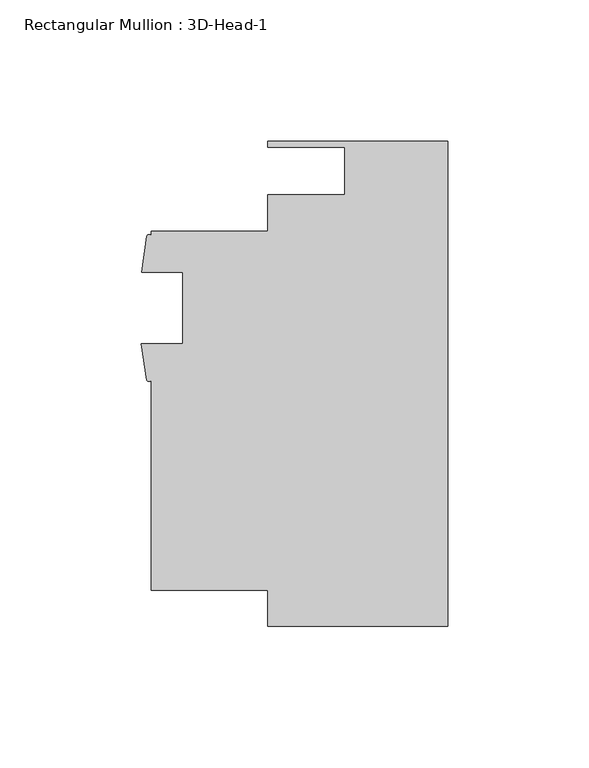
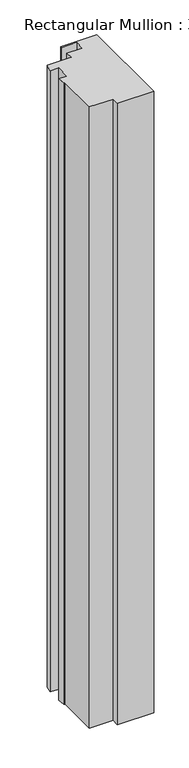
"""IFC4 building model written with IfcOpenShell, lengths in millimetres: member geometry, Rectangular Mullion : 3D-Head-1."""

from ifc_helpers import new_model, si_unit, point, frame, frame_2d, origin, place, context, project, spatial, polyline, circle_curve, trimmed, segment, composite_curve, outline, extrude, source, transform, mapped, element, save


def rectangular_mullion_3d_head_1_06a72a00(model_context):
    return source(origin(), model_context, "Body", "SweptSolid", [
        extrude(outline(composite_curve([segment(polyline([(0.0, -85.7249999), (-63.5322656, -85.7249999), (-63.5322656, -73.023969), (-104.7749997, -73.023969), (-104.7749997, 1.2994531)]), True, "CONTINUOUS"), segment(trimmed(circle_curve(frame_2d((-105.6067019, 1.8328959)), 0.9880737), [point((-104.7749997, 1.2994531))], [point((-106.4384041, 1.2994531))], False, "CARTESIAN"), True, "CONTINUOUS"), segment(polyline([(-106.4384041, 1.2994531), (-108.2945214, 14.0725059), (-93.6624997, 14.0725059), (-93.6624997, 39.4725059), (-108.1709997, 39.4725059), (-106.3608959, 52.2437935)]), True, "CONTINUOUS"), segment(trimmed(circle_curve(frame_2d((-105.5679478, 51.826203)), 0.8961856), [point((-106.3608959, 52.2437935))], [point((-104.7749997, 52.2437935))], False, "CARTESIAN"), True, "CONTINUOUS"), segment(polyline([(-104.7749997, 52.2437935), (-104.7749997, 53.976031), (-63.4999996, 53.976031), (-63.4999996, 66.7923427), (-36.3401991, 66.7923427), (-36.3401991, 83.6929999), (-63.4999996, 83.6929999), (-63.4999996, 85.7249999), (0.0, 85.7249999), (0.0, -85.7249999)]), True, "CONTINUOUS")], self_intersect=False)), frame((0.0, 0.0, -1146.6857985), z_axis=(0.0, 0.0, 1.0), x_axis=(1.0, 0.0, 0.0)), (0.0, 0.0, 1.0), 1146.6857985),
    ])


if __name__ == "__main__":
    model = new_model("IFC4")
    model_context = context("Model", 3, world=origin())
    ifc_project = project(units=[si_unit("LENGTHUNIT", "METRE", prefix="MILLI")], contexts=[model_context])
    site = spatial("IfcSite", under=ifc_project)
    building = spatial("IfcBuilding", under=site)
    placement = place(None, origin())
    rectangular_mullion_3d_head_1_shape = rectangular_mullion_3d_head_1_06a72a00(model_context)
    element("IfcMember", 1, ObjectType="Rectangular Mullion : 3D-Head-1", at=placement, inside=building, context=model_context, shape_type="MappedRepresentation", body=[
        mapped(rectangular_mullion_3d_head_1_shape, transform((0.0, 0.0, 0.0), x_axis=(1.0, 0.0, 0.0), y_axis=(0.0, 1.0, 0.0), z_axis=(0.0, 0.0, 1.0))),
    ])
    save(model, "model.ifc")
